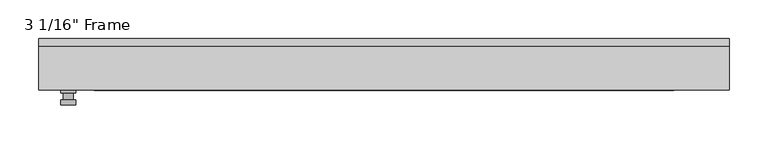
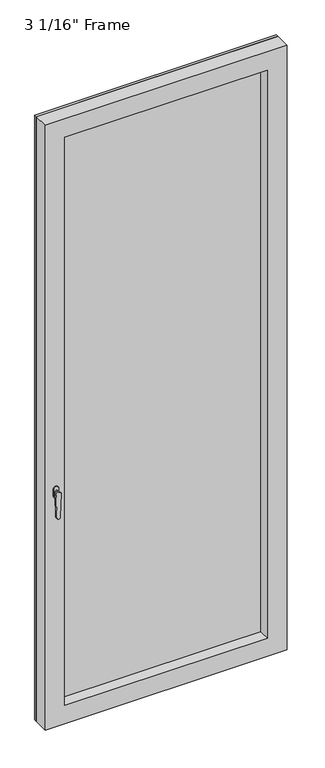
"""IFC4 building model written with IfcOpenShell, lengths in millimetres: plate geometry."""

from ifc_helpers import new_model, si_unit, frame, origin, place, context, project, spatial, polyline, circle_curve, outline, extrude, faceted_brep, source, transform, mapped, element, save
from ifc_brep_helpers import plane_surface, cylinder_surface, advanced_brep


def plate_f92bc75a(model_context):
    return source(origin(), model_context, "Body", "SolidModel", [
        advanced_brep(
        [(-397.66875, -33.3375, 927.1), (-397.66875, -33.3375, 901.7), (-416.71875, -33.3375, 901.7), (-416.71875, -33.3375, 927.1), (-400.84375, -46.0375, 914.4), (-413.54375, -46.0375, 914.4), (-413.54375, -36.5125, 914.4), (-400.84375, -36.5125, 914.4), (-397.66875, -46.0375, 914.4), (-400.8477856, -46.0375, 825.2736467), (-413.5397144, -46.0375, 825.2736467), (-416.71875, -46.0375, 914.4), (-397.66875, -52.3875, 914.4), (-416.71875, -52.3875, 914.4), (-413.5397144, -52.3875, 825.2736467), (-400.8477856, -52.3875, 825.2736467), (-397.66875, -36.5125, 927.1), (-416.71875, -36.5125, 927.1), (-416.71875, -36.5125, 901.7), (-397.66875, -36.5125, 901.7)],
        [
            (0, 1),
            (1, 2, circle_curve(frame((-407.19375, -33.3375, 901.7), z_axis=(0.0, 1.0, 0.0), x_axis=(-1.0, 0.0, 0.0)), 9.525)),
            (2, 3),
            (3, 0, circle_curve(frame((-407.19375, -33.3375, 927.1), z_axis=(0.0, 1.0, 0.0), x_axis=(-1.0, 0.0, 0.0)), 9.525)),
            (4, 5, circle_curve(frame((-407.19375, -46.0375, 914.4), z_axis=(0.0, 1.0, 0.0), x_axis=(-1.0, 0.0, 0.0)), 6.35)),
            (5, 6),
            (6, 7, circle_curve(frame((-407.19375, -36.5125, 914.4), z_axis=(0.0, -1.0, 0.0), x_axis=(-1.0, 0.0, 0.0)), 6.35)),
            (7, 4),
            (5, 4, circle_curve(frame((-407.19375, -46.0375, 914.4), z_axis=(0.0, 1.0, 0.0), x_axis=(-1.0, 0.0, 0.0)), 6.35)),
            (7, 6, circle_curve(frame((-407.19375, -36.5125, 914.4), z_axis=(0.0, -1.0, 0.0), x_axis=(-1.0, 0.0, 0.0)), 6.35)),
            (8, 9),
            (9, 10, circle_curve(frame((-407.19375, -46.0375, 825.5), z_axis=(0.0, 1.0, 0.0), x_axis=(-1.0, 0.0, 0.0)), 6.35)),
            (10, 11),
            (11, 8, circle_curve(frame((-407.19375, -46.0375, 914.4), z_axis=(0.0, 1.0, 0.0), x_axis=(-1.0, 0.0, 0.0)), 9.525)),
            (12, 13, circle_curve(frame((-407.19375, -52.3875, 914.4), z_axis=(0.0, -1.0, 0.0), x_axis=(-1.0, 0.0, 0.0)), 9.525)),
            (13, 14),
            (14, 15, circle_curve(frame((-407.19375, -52.3875, 825.5), z_axis=(0.0, -1.0, 0.0), x_axis=(-1.0, 0.0, 0.0)), 6.35)),
            (15, 12),
            (8, 12),
            (15, 9),
            (14, 10),
            (13, 11),
            (16, 17, circle_curve(frame((-407.19375, -36.5125, 927.1), z_axis=(0.0, -1.0, 0.0), x_axis=(-1.0, 0.0, 0.0)), 9.525)),
            (17, 18),
            (18, 19, circle_curve(frame((-407.19375, -36.5125, 901.7), z_axis=(0.0, -1.0, 0.0), x_axis=(-1.0, 0.0, 0.0)), 9.525)),
            (19, 16),
            (0, 16),
            (19, 1),
            (18, 2),
            (17, 3),
        ],
        [
            plane_surface(frame((-413.54375, -33.3375, 914.4), z_axis=(0.0, 1.0, 0.0), x_axis=(0.0, 0.0, 1.0))),
            cylinder_surface(frame((-407.19375, -46.0375, 914.4), z_axis=(0.0, 1.0, 0.0), x_axis=(-1.0, 0.0, 0.0)), 6.35),
            plane_surface(frame((-397.66875, -46.0375, 914.4), z_axis=(0.0, 1.0000000000000002, 0.0), x_axis=(-0.03564619348186888, 0.0, -0.9993644724975235))),
            plane_surface(frame((-397.66875, -52.3875, 914.4), z_axis=(0.0, -1.0000000000000002, 0.0), x_axis=(0.03564619348186888, 0.0, 0.9993644724975235))),
            plane_surface(frame((-397.66875, -46.0375, 914.4), z_axis=(0.9993644724975235, 0.0, -0.03564619348186888), x_axis=(0.0, -1.0, 0.0))),
            cylinder_surface(frame((-407.19375, -52.3875, 825.5), z_axis=(0.0, 1.0, 0.0), x_axis=(-1.0, 0.0, 0.0)), 6.35),
            plane_surface(frame((-413.5397144, -46.0375, 825.2736467), z_axis=(-0.9993644724975228, 0.0, -0.03564619348188612), x_axis=(0.0, -1.0, 0.0))),
            cylinder_surface(frame((-407.19375, -52.3875, 914.4), z_axis=(0.0, 1.0, 0.0), x_axis=(-1.0, 0.0, 0.0)), 9.525),
            plane_surface(frame((-397.66875, -36.5125, 901.7), z_axis=(0.0, -1.0, 0.0), x_axis=(0.0, 0.0, 1.0))),
            plane_surface(frame((-397.66875, -33.3375, 927.1), z_axis=(1.0, 0.0, 0.0), x_axis=(0.0, -1.0, 0.0))),
            cylinder_surface(frame((-407.19375, -36.5125, 901.7), z_axis=(0.0, 1.0, 0.0), x_axis=(-1.0, 0.0, 0.0)), 9.525),
            plane_surface(frame((-416.71875, -33.3375, 901.7), z_axis=(-1.0, 0.0, 0.0), x_axis=(0.0, -1.0, 0.0))),
            cylinder_surface(frame((-407.19375, -36.5125, 927.1), z_axis=(0.0, 1.0, 0.0), x_axis=(-1.0, 0.0, 0.0)), 9.525),
        ],
        [
            (0, [[1, 2, 3, 4]]),
            (1, [[5, 6, 7, 8]]),
            (1, [[9, -8, 10, -6]]),
            (2, [[11, 12, 13, 14], [-5, -9]]),
            (3, [[15, 16, 17, 18]]),
            (4, [[-11, 19, -18, 20]]),
            (5, [[-12, -20, -17, 21]]),
            (6, [[-13, -21, -16, 22]]),
            (7, [[-14, -22, -15, -19]]),
            (8, [[23, 24, 25, 26], [-7, -10]]),
            (9, [[-1, 27, -26, 28]]),
            (10, [[-2, -28, -25, 29]]),
            (11, [[-3, -29, -24, 30]]),
            (12, [[-4, -30, -23, -27]]),
        ],
    ),
        extrude(outline(polyline([(0.0, -445.29375), (0.0, 445.29375), (2352.675, 445.29375), (2352.675, -445.29375), (0.0, -445.29375)]), holes=[polyline([(2274.8875, -367.50625), (2274.8875, 367.50625), (77.7875, 367.50625), (77.7875, -367.50625), (2274.8875, -367.50625)])]), frame((0.0, 23.8125, 0.0), z_axis=(0.0, 1.0, 0.0), x_axis=(0.0, 0.0, 1.0)), (0.0, 0.0, 1.0), 9.525),
        faceted_brep([(-445.29375, -33.3375, 0.0), (-445.29375, 23.8125, 0.0), (445.29375, 23.8125, 0.0), (445.29375, -33.3375, 0.0), (-445.29375, -33.3375, 2352.675), (-445.29375, 23.8125, 2352.675), (445.29375, 23.8125, 2352.675), (-380.20625, 23.8125, 2287.5875), (-380.20625, 23.8125, 65.0875), (380.20625, 23.8125, 65.0875), (380.20625, 23.8125, 2287.5875), (-380.20625, 0.0, 2287.5875), (-380.20625, 0.0, 65.0875), (380.20625, 0.0, 2287.5875), (380.20625, 0.0, 65.0875), (-367.50625, 0.0, 2274.8875), (-367.50625, 0.0, 77.7875), (367.50625, 0.0, 77.7875), (367.50625, 0.0, 2274.8875), (-373.85625, -33.3375, 2281.2375), (-373.85625, -33.3375, 71.4375), (445.29375, -33.3375, 2352.675), (373.85625, -33.3375, 2281.2375), (373.85625, -33.3375, 71.4375)], [[[0, 1, 2, 3]], [[1, 0, 4, 5]], [[2, 1, 5, 6], [7, 8, 9, 10]], [[7, 11, 12, 8]], [[11, 13, 14, 12], [15, 16, 17, 18]], [[15, 19, 20, 16]], [[4, 0, 3, 21], [22, 23, 20, 19]], [[5, 4, 21, 6]], [[7, 10, 13, 11]], [[15, 18, 22, 19]], [[2, 6, 21, 3]], [[14, 13, 10, 9]], [[22, 18, 17, 23]], [[20, 23, 17, 16]], [[9, 8, 12, 14]]]),
        extrude(outline(polyline([(380.20625, 0.0), (-380.20625, 0.0), (-380.20625, 23.8125), (380.20625, 23.8125), (380.20625, 0.0)])), frame((0.0, 0.0, 65.0875), z_axis=(0.0, 0.0, 1.0), x_axis=(1.0, 0.0, 0.0)), (0.0, 0.0, 1.0), 2222.5),
    ])


if __name__ == "__main__":
    model = new_model("IFC4")
    model_context = context("Model", 3, world=origin())
    ifc_project = project(units=[si_unit("LENGTHUNIT", "METRE", prefix="MILLI")], contexts=[model_context])
    site = spatial("IfcSite", under=ifc_project)
    building = spatial("IfcBuilding", under=site)
    placement = place(None, origin())
    plate_shape = plate_f92bc75a(model_context)
    element("IfcPlate", 1, ObjectType="3 1/16\" Frame", at=placement, inside=building, context=model_context, shape_type="MappedRepresentation", body=[
        mapped(plate_shape, transform((0.0, 0.0, 0.0), x_axis=(1.0, 0.0, 0.0), y_axis=(0.0, 1.0, 0.0), z_axis=(0.0, 0.0, 1.0))),
    ])
    save(model, "model.ifc")
